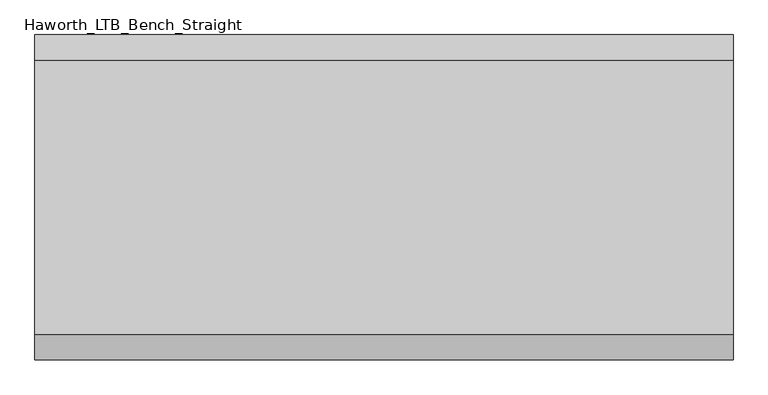
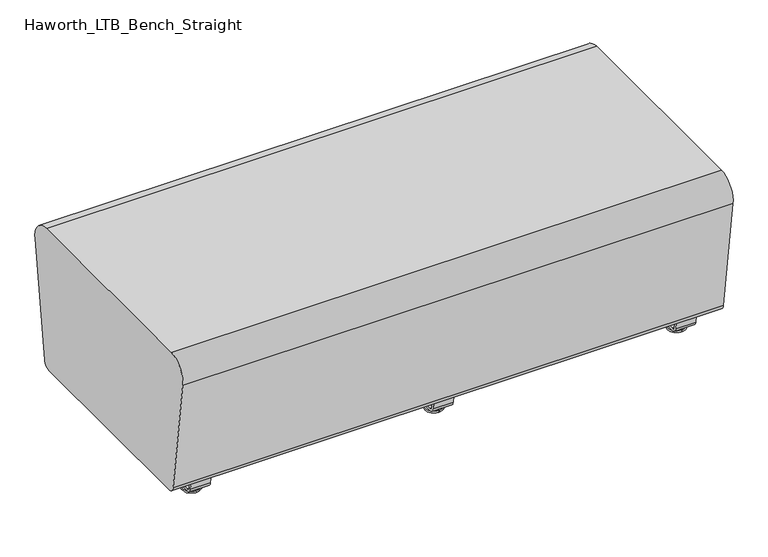
"""IFC4 building model written with IfcOpenShell, lengths in millimetres: furniture geometry, Haworth_LTB_Bench_Straight."""

from ifc_helpers import new_model, si_unit, point, frame, frame_2d, origin, place, context, project, spatial, polyline, circle_curve, ellipse_curve, trimmed, segment, composite_curve, outline, extrude, source, transform, mapped, element, save
from ifc_brep_helpers import plane_surface, cylinder_surface, revolved_surface, advanced_brep


def haworth_ltb_bench_straight_5203fc3c(model_context):
    return source(origin(), model_context, "Body", "SolidModel", [
        advanced_brep(
        [(0.0, -211.0425052, 7.8133431), (0.0, -227.0355515, 7.8133431), (0.0, -223.8015284, 7.8133431), (0.0, -214.2765284, 7.8133431), (0.0, -197.1001513, 4.0775), (0.0, -240.9779054, 4.0775), (0.0, -197.5107026, 0.0), (0.0, -240.5673542, 0.0), (0.0, -219.0390284, 0.0), (0.0, -214.2765284, 50.0000004), (0.0, -223.8015284, 50.0000004), (0.0, -219.0390284, 50.0000004)],
        [
            (0, 1, circle_curve(frame((0.0, -219.0390284, 7.8133431), z_axis=(0.0, 0.0, 1.0), x_axis=(0.0, -1.0, 0.0)), 7.9965232)),
            (1, 2),
            (2, 3, circle_curve(frame((0.0, -219.0390284, 7.8133431), z_axis=(0.0, 0.0, -1.0), x_axis=(0.0, -1.0, 0.0)), 4.7625)),
            (3, 0),
            (1, 0, circle_curve(frame((0.0, -219.0390284, 7.8133431), z_axis=(0.0, 0.0, 1.0), x_axis=(0.0, -1.0, 0.0)), 7.9965232)),
            (3, 2, circle_curve(frame((0.0, -219.0390284, 7.8133431), z_axis=(0.0, 0.0, -1.0), x_axis=(0.0, -1.0, 0.0)), 4.7625)),
            (4, 5, circle_curve(frame((0.0, -219.0390284, 4.0775), z_axis=(0.0, 0.0, 1.0), x_axis=(0.0, -1.0, 0.0)), 21.9388771)),
            (5, 1),
            (0, 4),
            (5, 4, circle_curve(frame((0.0, -219.0390284, 4.0775), z_axis=(0.0, 0.0, 1.0), x_axis=(0.0, -1.0, 0.0)), 21.9388771)),
            (6, 7, circle_curve(frame((0.0, -219.0390284, 0.0), z_axis=(0.0, 0.0, 1.0), x_axis=(0.0, -1.0, 0.0)), 21.5283258)),
            (7, 5, circle_curve(frame((0.0, -240.4405822, 2.0721829), z_axis=(-1.0, 0.0, 0.0), x_axis=(0.0, 1.0, 0.0)), 2.0760571)),
            (4, 6, circle_curve(frame((0.0, -197.6374745, 2.0721829), z_axis=(-1.0, 0.0, 0.0), x_axis=(0.0, -1.0, 0.0)), 2.0760571)),
            (7, 6, circle_curve(frame((0.0, -219.0390284, 0.0), z_axis=(0.0, 0.0, 1.0), x_axis=(0.0, -1.0, 0.0)), 21.5283258)),
            (8, 7),
            (6, 8),
            (9, 10, circle_curve(frame((0.0, -219.0390284, 50.0000004), z_axis=(0.0, 0.0, 1.0), x_axis=(0.0, -1.0, 0.0)), 4.7625)),
            (10, 11),
            (11, 9),
            (10, 9, circle_curve(frame((0.0, -219.0390284, 50.0000004), z_axis=(0.0, 0.0, 1.0), x_axis=(0.0, -1.0, 0.0)), 4.7625)),
            (2, 10),
            (9, 3),
        ],
        [
            plane_surface(frame((0.0, -219.0390284, 7.8133431), z_axis=(0.0, 0.0, 1.0), x_axis=(0.0, -1.0, 0.0))),
            revolved_surface(polyline([(0.0, -227.0355515, 7.8133431), (0.0, -240.9779054, 4.0775)]), (0.0, -219.0390284, 0.0), (0.0, 0.0, -1.0)),
            revolved_surface(trimmed(ellipse_curve(frame((0.0, -240.4405822, 2.0721829), z_axis=(1.0, 0.0, 0.0), x_axis=(0.0, 1.0, 0.0)), 2.0760571, 2.0760571), [point((0.0, -240.9779054, 4.0775))], [point((0.0, -240.5673542, 0.0))], True, "CARTESIAN"), (0.0, -219.0390284, 0.0), (0.0, 0.0, -1.0)),
            plane_surface(frame((0.0, -219.0390284, 0.0), z_axis=(0.0, 0.0, -1.0), x_axis=(0.0, -1.0, 0.0))),
            plane_surface(frame((0.0, -219.0390284, 50.0000004), z_axis=(0.0, 0.0, 1.0), x_axis=(0.0, -1.0, 0.0))),
            cylinder_surface(frame((0.0, -219.0390284, 0.0), z_axis=(0.0, 0.0, -1.0), x_axis=(0.0, -1.0, 0.0)), 4.7625),
        ],
        [
            (0, [[1, 2, 3, 4]]),
            (0, [[5, -4, 6, -2]]),
            (1, [[7, 8, -1, 9]]),
            (1, [[10, -9, -5, -8]]),
            (2, [[11, 12, -7, 13]]),
            (2, [[14, -13, -10, -12]]),
            (3, [[15, -11, 16]]),
            (3, [[-16, -14, -15]]),
            (4, [[17, 18, 19]]),
            (4, [[20, -19, -18]]),
            (5, [[-3, 21, -17, 22]]),
            (5, [[-6, -22, -20, -21]]),
        ],
    ),
        advanced_brep(
        [(0.0, 214.2765284, 7.8133431), (0.0, 223.8015284, 7.8133431), (0.0, 227.0355515, 7.8133431), (0.0, 211.0425052, 7.8133431), (0.0, 240.9779054, 4.0775), (0.0, 197.1001513, 4.0775), (0.0, 240.5673542, 0.0), (0.0, 197.5107026, 0.0), (0.0, 219.0390284, 0.0), (0.0, 219.0390284, 50.0000004), (0.0, 223.8015284, 50.0000004), (0.0, 214.2765284, 50.0000004)],
        [
            (0, 1, circle_curve(frame((0.0, 219.0390284, 7.8133431), z_axis=(0.0, 0.0, -1.0), x_axis=(0.0, 1.0, 0.0)), 4.7625)),
            (1, 2),
            (2, 3, circle_curve(frame((0.0, 219.0390284, 7.8133431), z_axis=(0.0, 0.0, 1.0), x_axis=(0.0, 1.0, 0.0)), 7.9965232)),
            (3, 0),
            (1, 0, circle_curve(frame((0.0, 219.0390284, 7.8133431), z_axis=(0.0, 0.0, -1.0), x_axis=(0.0, 1.0, 0.0)), 4.7625)),
            (3, 2, circle_curve(frame((0.0, 219.0390284, 7.8133431), z_axis=(0.0, 0.0, 1.0), x_axis=(0.0, 1.0, 0.0)), 7.9965232)),
            (2, 4),
            (4, 5, circle_curve(frame((0.0, 219.0390284, 4.0775), z_axis=(0.0, 0.0, 1.0), x_axis=(0.0, 1.0, 0.0)), 21.9388771)),
            (5, 3),
            (5, 4, circle_curve(frame((0.0, 219.0390284, 4.0775), z_axis=(0.0, 0.0, 1.0), x_axis=(0.0, 1.0, 0.0)), 21.9388771)),
            (4, 6, circle_curve(frame((0.0, 240.4405822, 2.0721829), z_axis=(-1.0, 0.0, 0.0), x_axis=(0.0, -1.0, 0.0)), 2.0760571)),
            (6, 7, circle_curve(frame((0.0, 219.0390284, 0.0), z_axis=(0.0, 0.0, 1.0), x_axis=(0.0, 1.0, 0.0)), 21.5283258)),
            (7, 5, circle_curve(frame((0.0, 197.6374745, 2.0721829), z_axis=(-1.0, 0.0, 0.0), x_axis=(0.0, 1.0, 0.0)), 2.0760571)),
            (7, 6, circle_curve(frame((0.0, 219.0390284, 0.0), z_axis=(0.0, 0.0, 1.0), x_axis=(0.0, 1.0, 0.0)), 21.5283258)),
            (6, 8),
            (8, 7),
            (9, 10),
            (10, 11, circle_curve(frame((0.0, 219.0390284, 50.0000004), z_axis=(0.0, 0.0, 1.0), x_axis=(0.0, 1.0, 0.0)), 4.7625)),
            (11, 9),
            (11, 10, circle_curve(frame((0.0, 219.0390284, 50.0000004), z_axis=(0.0, 0.0, 1.0), x_axis=(0.0, 1.0, 0.0)), 4.7625)),
            (10, 1),
            (0, 11),
        ],
        [
            plane_surface(frame((0.0, 219.0390284, 7.8133431), z_axis=(0.0, 0.0, 1.0), x_axis=(0.0, 1.0, 0.0))),
            revolved_surface(polyline([(0.0, 240.9779054, 4.0775), (0.0, 227.0355515, 7.8133431)]), (0.0, 219.0390284, 0.0), (0.0, 0.0, 1.0)),
            revolved_surface(trimmed(ellipse_curve(frame((0.0, 240.4405822, 2.0721829), z_axis=(1.0, 0.0, 0.0), x_axis=(0.0, -1.0, 0.0)), 2.0760571, 2.0760571), [point((0.0, 240.5673542, 0.0))], [point((0.0, 240.9779054, 4.0775))], True, "CARTESIAN"), (0.0, 219.0390284, 0.0), (0.0, 0.0, 1.0)),
            plane_surface(frame((0.0, 219.0390284, 0.0), z_axis=(0.0, 0.0, -1.0), x_axis=(0.0, 1.0, 0.0))),
            plane_surface(frame((0.0, 219.0390284, 50.0000004), z_axis=(0.0, 0.0, 1.0), x_axis=(0.0, 1.0, 0.0))),
            cylinder_surface(frame((0.0, 219.0390284, 0.0), z_axis=(0.0, 0.0, 1.0), x_axis=(0.0, 1.0, 0.0)), 4.7625),
        ],
        [
            (0, [[1, 2, 3, 4]]),
            (0, [[5, -4, 6, -2]]),
            (1, [[-3, 7, 8, 9]]),
            (1, [[-6, -9, 10, -7]]),
            (2, [[-8, 11, 12, 13]]),
            (2, [[-10, -13, 14, -11]]),
            (3, [[-12, 15, 16]]),
            (3, [[-14, -16, -15]]),
            (4, [[17, 18, 19]]),
            (4, [[-19, 20, -17]]),
            (5, [[-18, 21, -1, 22]]),
            (5, [[-20, -22, -5, -21]]),
        ],
    ),
        extrude(outline(composite_curve([segment(polyline([(264.8158944, 62.9950557), (259.8853496, 27.9124042)]), True, "CONTINUOUS"), segment(trimmed(circle_curve(frame_2d((245.0313276, 30.0000007)), 15.000001), [point((259.8853496, 27.9124042))], [point((245.0313276, 14.9999997))], False, "CARTESIAN"), True, "CONTINUOUS"), segment(polyline([(245.0313276, 14.9999997), (-245.0313276, 14.9999997)]), True, "CONTINUOUS"), segment(trimmed(circle_curve(frame_2d((-245.0313276, 30.0000007)), 15.000001), [point((-245.0313276, 14.9999997))], [point((-259.8853496, 27.9124042))], False, "CARTESIAN"), True, "CONTINUOUS"), segment(polyline([(-259.8853496, 27.9124042), (-264.8158944, 62.9950557), (-259.1812615, 63.7869505), (-254.2507241, 28.7043023)]), True, "CONTINUOUS"), segment(trimmed(circle_curve(frame_2d((-245.0313262, 30.0000023)), 9.310002), [point((-254.2507241, 28.7043023))], [point((-245.0313262, 20.6900003))], True, "CARTESIAN"), True, "CONTINUOUS"), segment(polyline([(-245.0313262, 20.6900003), (245.0313262, 20.6900003)]), True, "CONTINUOUS"), segment(trimmed(circle_curve(frame_2d((245.0313262, 30.0000023)), 9.310002), [point((245.0313262, 20.6900003))], [point((254.2507241, 28.7043023))], True, "CARTESIAN"), True, "CONTINUOUS"), segment(polyline([(254.2507241, 28.7043023), (259.1812615, 63.7869505), (264.8158944, 62.9950557)]), True, "CONTINUOUS")], self_intersect=False)), frame((-25.4, 0.0, 0.0), z_axis=(1.0, 0.0, 0.0), x_axis=(0.0, 1.0, 0.0)), (0.0, 0.0, 1.0), 50.8),
        advanced_brep(
        [(616.0045358, -211.0425052, 7.8133431), (616.0045358, -227.0355515, 7.8133431), (616.0045358, -223.8015284, 7.8133431), (616.0045358, -214.2765284, 7.8133431), (616.0045358, -197.1001513, 4.0775), (616.0045358, -240.9779054, 4.0775), (616.0045358, -197.5107026, 0.0), (616.0045358, -240.5673542, 0.0), (616.0045358, -219.0390284, 0.0), (616.0045358, -214.2765284, 50.0000004), (616.0045358, -223.8015284, 50.0000004), (616.0045358, -219.0390284, 50.0000004)],
        [
            (0, 1, circle_curve(frame((616.0045358, -219.0390284, 7.8133431), z_axis=(0.0, 0.0, 1.0), x_axis=(0.0, -1.0, 0.0)), 7.9965232)),
            (1, 2),
            (2, 3, circle_curve(frame((616.0045358, -219.0390284, 7.8133431), z_axis=(0.0, 0.0, -1.0), x_axis=(0.0, -1.0, 0.0)), 4.7625)),
            (3, 0),
            (1, 0, circle_curve(frame((616.0045358, -219.0390284, 7.8133431), z_axis=(0.0, 0.0, 1.0), x_axis=(0.0, -1.0, 0.0)), 7.9965232)),
            (3, 2, circle_curve(frame((616.0045358, -219.0390284, 7.8133431), z_axis=(0.0, 0.0, -1.0), x_axis=(0.0, -1.0, 0.0)), 4.7625)),
            (4, 5, circle_curve(frame((616.0045358, -219.0390284, 4.0775), z_axis=(0.0, 0.0, 1.0), x_axis=(0.0, -1.0, 0.0)), 21.9388771)),
            (5, 1),
            (0, 4),
            (5, 4, circle_curve(frame((616.0045358, -219.0390284, 4.0775), z_axis=(0.0, 0.0, 1.0), x_axis=(0.0, -1.0, 0.0)), 21.9388771)),
            (6, 7, circle_curve(frame((616.0045358, -219.0390284, 0.0), z_axis=(0.0, 0.0, 1.0), x_axis=(0.0, -1.0, 0.0)), 21.5283258)),
            (7, 5, circle_curve(frame((616.0045358, -240.4405822, 2.0721829), z_axis=(-1.0, 0.0, 0.0), x_axis=(0.0, 1.0, 0.0)), 2.0760571)),
            (4, 6, circle_curve(frame((616.0045358, -197.6374745, 2.0721829), z_axis=(-1.0, 0.0, 0.0), x_axis=(0.0, -1.0, 0.0)), 2.0760571)),
            (7, 6, circle_curve(frame((616.0045358, -219.0390284, 0.0), z_axis=(0.0, 0.0, 1.0), x_axis=(0.0, -1.0, 0.0)), 21.5283258)),
            (8, 7),
            (6, 8),
            (9, 10, circle_curve(frame((616.0045358, -219.0390284, 50.0000004), z_axis=(0.0, 0.0, 1.0), x_axis=(0.0, -1.0, 0.0)), 4.7625)),
            (10, 11),
            (11, 9),
            (10, 9, circle_curve(frame((616.0045358, -219.0390284, 50.0000004), z_axis=(0.0, 0.0, 1.0), x_axis=(0.0, -1.0, 0.0)), 4.7625)),
            (2, 10),
            (9, 3),
        ],
        [
            plane_surface(frame((616.0045358, -219.0390284, 7.8133431), z_axis=(0.0, 0.0, 1.0), x_axis=(0.0, -1.0, 0.0))),
            revolved_surface(polyline([(616.0045358, -227.0355515, 7.8133431), (616.0045358, -240.9779054, 4.0775)]), (616.0045358, -219.0390284, 0.0), (0.0, 0.0, -1.0)),
            revolved_surface(trimmed(ellipse_curve(frame((616.0045358, -240.4405822, 2.0721829), z_axis=(1.0, 0.0, 0.0), x_axis=(0.0, 1.0, 0.0)), 2.0760571, 2.0760571), [point((616.0045358, -240.9779054, 4.0775))], [point((616.0045358, -240.5673542, 0.0))], True, "CARTESIAN"), (616.0045358, -219.0390284, 0.0), (0.0, 0.0, -1.0)),
            plane_surface(frame((616.0045358, -219.0390284, 0.0), z_axis=(0.0, 0.0, -1.0), x_axis=(0.0, -1.0, 0.0))),
            plane_surface(frame((616.0045358, -219.0390284, 50.0000004), z_axis=(0.0, 0.0, 1.0), x_axis=(0.0, -1.0, 0.0))),
            cylinder_surface(frame((616.0045358, -219.0390284, 0.0), z_axis=(0.0, 0.0, -1.0), x_axis=(0.0, -1.0, 0.0)), 4.7625),
        ],
        [
            (0, [[1, 2, 3, 4]]),
            (0, [[5, -4, 6, -2]]),
            (1, [[7, 8, -1, 9]]),
            (1, [[10, -9, -5, -8]]),
            (2, [[11, 12, -7, 13]]),
            (2, [[14, -13, -10, -12]]),
            (3, [[15, -11, 16]]),
            (3, [[-16, -14, -15]]),
            (4, [[17, 18, 19]]),
            (4, [[20, -19, -18]]),
            (5, [[-3, 21, -17, 22]]),
            (5, [[-6, -22, -20, -21]]),
        ],
    ),
        advanced_brep(
        [(616.0045358, 214.2765284, 7.8133431), (616.0045358, 223.8015284, 7.8133431), (616.0045358, 227.0355515, 7.8133431), (616.0045358, 211.0425052, 7.8133431), (616.0045358, 240.9779054, 4.0775), (616.0045358, 197.1001513, 4.0775), (616.0045358, 240.5673542, 0.0), (616.0045358, 197.5107026, 0.0), (616.0045358, 219.0390284, 0.0), (616.0045358, 219.0390284, 50.0000004), (616.0045358, 223.8015284, 50.0000004), (616.0045358, 214.2765284, 50.0000004)],
        [
            (0, 1, circle_curve(frame((616.0045358, 219.0390284, 7.8133431), z_axis=(0.0, 0.0, -1.0), x_axis=(0.0, 1.0, 0.0)), 4.7625)),
            (1, 2),
            (2, 3, circle_curve(frame((616.0045358, 219.0390284, 7.8133431), z_axis=(0.0, 0.0, 1.0), x_axis=(0.0, 1.0, 0.0)), 7.9965232)),
            (3, 0),
            (1, 0, circle_curve(frame((616.0045358, 219.0390284, 7.8133431), z_axis=(0.0, 0.0, -1.0), x_axis=(0.0, 1.0, 0.0)), 4.7625)),
            (3, 2, circle_curve(frame((616.0045358, 219.0390284, 7.8133431), z_axis=(0.0, 0.0, 1.0), x_axis=(0.0, 1.0, 0.0)), 7.9965232)),
            (2, 4),
            (4, 5, circle_curve(frame((616.0045358, 219.0390284, 4.0775), z_axis=(0.0, 0.0, 1.0), x_axis=(0.0, 1.0, 0.0)), 21.9388771)),
            (5, 3),
            (5, 4, circle_curve(frame((616.0045358, 219.0390284, 4.0775), z_axis=(0.0, 0.0, 1.0), x_axis=(0.0, 1.0, 0.0)), 21.9388771)),
            (4, 6, circle_curve(frame((616.0045358, 240.4405822, 2.0721829), z_axis=(-1.0, 0.0, 0.0), x_axis=(0.0, -1.0, 0.0)), 2.0760571)),
            (6, 7, circle_curve(frame((616.0045358, 219.0390284, 0.0), z_axis=(0.0, 0.0, 1.0), x_axis=(0.0, 1.0, 0.0)), 21.5283258)),
            (7, 5, circle_curve(frame((616.0045358, 197.6374745, 2.0721829), z_axis=(-1.0, 0.0, 0.0), x_axis=(0.0, 1.0, 0.0)), 2.0760571)),
            (7, 6, circle_curve(frame((616.0045358, 219.0390284, 0.0), z_axis=(0.0, 0.0, 1.0), x_axis=(0.0, 1.0, 0.0)), 21.5283258)),
            (6, 8),
            (8, 7),
            (9, 10),
            (10, 11, circle_curve(frame((616.0045358, 219.0390284, 50.0000004), z_axis=(0.0, 0.0, 1.0), x_axis=(0.0, 1.0, 0.0)), 4.7625)),
            (11, 9),
            (11, 10, circle_curve(frame((616.0045358, 219.0390284, 50.0000004), z_axis=(0.0, 0.0, 1.0), x_axis=(0.0, 1.0, 0.0)), 4.7625)),
            (10, 1),
            (0, 11),
        ],
        [
            plane_surface(frame((616.0045358, 219.0390284, 7.8133431), z_axis=(0.0, 0.0, 1.0), x_axis=(0.0, 1.0, 0.0))),
            revolved_surface(polyline([(616.0045358, 240.9779054, 4.0775), (616.0045358, 227.0355515, 7.8133431)]), (616.0045358, 219.0390284, 0.0), (0.0, 0.0, 1.0)),
            revolved_surface(trimmed(ellipse_curve(frame((616.0045358, 240.4405822, 2.0721829), z_axis=(1.0, 0.0, 0.0), x_axis=(0.0, -1.0, 0.0)), 2.0760571, 2.0760571), [point((616.0045358, 240.5673542, 0.0))], [point((616.0045358, 240.9779054, 4.0775))], True, "CARTESIAN"), (616.0045358, 219.0390284, 0.0), (0.0, 0.0, 1.0)),
            plane_surface(frame((616.0045358, 219.0390284, 0.0), z_axis=(0.0, 0.0, -1.0), x_axis=(0.0, 1.0, 0.0))),
            plane_surface(frame((616.0045358, 219.0390284, 50.0000004), z_axis=(0.0, 0.0, 1.0), x_axis=(0.0, 1.0, 0.0))),
            cylinder_surface(frame((616.0045358, 219.0390284, 0.0), z_axis=(0.0, 0.0, 1.0), x_axis=(0.0, 1.0, 0.0)), 4.7625),
        ],
        [
            (0, [[1, 2, 3, 4]]),
            (0, [[5, -4, 6, -2]]),
            (1, [[-3, 7, 8, 9]]),
            (1, [[-6, -9, 10, -7]]),
            (2, [[-8, 11, 12, 13]]),
            (2, [[-10, -13, 14, -11]]),
            (3, [[-12, 15, 16]]),
            (3, [[-14, -16, -15]]),
            (4, [[17, 18, 19]]),
            (4, [[-19, 20, -17]]),
            (5, [[-18, 21, -1, 22]]),
            (5, [[-20, -22, -5, -21]]),
        ],
    ),
        extrude(outline(composite_curve([segment(polyline([(264.8158944, 62.9950557), (259.8853496, 27.9124042)]), True, "CONTINUOUS"), segment(trimmed(circle_curve(frame_2d((245.0313276, 30.0000007)), 15.000001), [point((259.8853496, 27.9124042))], [point((245.0313276, 14.9999997))], False, "CARTESIAN"), True, "CONTINUOUS"), segment(polyline([(245.0313276, 14.9999997), (-245.0313276, 14.9999997)]), True, "CONTINUOUS"), segment(trimmed(circle_curve(frame_2d((-245.0313276, 30.0000007)), 15.000001), [point((-245.0313276, 14.9999997))], [point((-259.8853496, 27.9124042))], False, "CARTESIAN"), True, "CONTINUOUS"), segment(polyline([(-259.8853496, 27.9124042), (-264.8158944, 62.9950557), (-259.1812615, 63.7869505), (-254.2507241, 28.7043023)]), True, "CONTINUOUS"), segment(trimmed(circle_curve(frame_2d((-245.0313262, 30.0000023)), 9.310002), [point((-254.2507241, 28.7043023))], [point((-245.0313262, 20.6900003))], True, "CARTESIAN"), True, "CONTINUOUS"), segment(polyline([(-245.0313262, 20.6900003), (245.0313262, 20.6900003)]), True, "CONTINUOUS"), segment(trimmed(circle_curve(frame_2d((245.0313262, 30.0000023)), 9.310002), [point((245.0313262, 20.6900003))], [point((254.2507241, 28.7043023))], True, "CARTESIAN"), True, "CONTINUOUS"), segment(polyline([(254.2507241, 28.7043023), (259.1812615, 63.7869505), (264.8158944, 62.9950557)]), True, "CONTINUOUS")], self_intersect=False)), frame((590.6045358, 0.0, 0.0), z_axis=(1.0, 0.0, 0.0), x_axis=(0.0, 1.0, 0.0)), (0.0, 0.0, 1.0), 50.8),
        advanced_brep(
        [(-616.0045358, -214.2765284, 7.8133431), (-616.0045358, -223.8015284, 7.8133431), (-616.0045358, -227.0355515, 7.8133431), (-616.0045358, -211.0425052, 7.8133431), (-616.0045358, -240.9779054, 4.0775), (-616.0045358, -197.1001513, 4.0775), (-616.0045358, -240.5673542, 0.0), (-616.0045358, -197.5107026, 0.0), (-616.0045358, -219.0390284, 0.0), (-616.0045358, -219.0390284, 50.0000004), (-616.0045358, -223.8015284, 50.0000004), (-616.0045358, -214.2765284, 50.0000004)],
        [
            (0, 1, circle_curve(frame((-616.0045358, -219.0390284, 7.8133431), z_axis=(0.0, 0.0, -1.0), x_axis=(0.0, -1.0, 0.0)), 4.7625)),
            (1, 2),
            (2, 3, circle_curve(frame((-616.0045358, -219.0390284, 7.8133431), z_axis=(0.0, 0.0, 1.0), x_axis=(0.0, -1.0, 0.0)), 7.9965232)),
            (3, 0),
            (1, 0, circle_curve(frame((-616.0045358, -219.0390284, 7.8133431), z_axis=(0.0, 0.0, -1.0), x_axis=(0.0, -1.0, 0.0)), 4.7625)),
            (3, 2, circle_curve(frame((-616.0045358, -219.0390284, 7.8133431), z_axis=(0.0, 0.0, 1.0), x_axis=(0.0, -1.0, 0.0)), 7.9965232)),
            (2, 4),
            (4, 5, circle_curve(frame((-616.0045358, -219.0390284, 4.0775), z_axis=(0.0, 0.0, 1.0), x_axis=(0.0, -1.0, 0.0)), 21.9388771)),
            (5, 3),
            (5, 4, circle_curve(frame((-616.0045358, -219.0390284, 4.0775), z_axis=(0.0, 0.0, 1.0), x_axis=(0.0, -1.0, 0.0)), 21.9388771)),
            (4, 6, circle_curve(frame((-616.0045358, -240.4405822, 2.0721829), z_axis=(1.0, 0.0, 0.0), x_axis=(0.0, 1.0, 0.0)), 2.0760571)),
            (6, 7, circle_curve(frame((-616.0045358, -219.0390284, 0.0), z_axis=(0.0, 0.0, 1.0), x_axis=(0.0, -1.0, 0.0)), 21.5283258)),
            (7, 5, circle_curve(frame((-616.0045358, -197.6374745, 2.0721829), z_axis=(1.0, 0.0, 0.0), x_axis=(0.0, -1.0, 0.0)), 2.0760571)),
            (7, 6, circle_curve(frame((-616.0045358, -219.0390284, 0.0), z_axis=(0.0, 0.0, 1.0), x_axis=(0.0, -1.0, 0.0)), 21.5283258)),
            (6, 8),
            (8, 7),
            (9, 10),
            (10, 11, circle_curve(frame((-616.0045358, -219.0390284, 50.0000004), z_axis=(0.0, 0.0, 1.0), x_axis=(0.0, -1.0, 0.0)), 4.7625)),
            (11, 9),
            (11, 10, circle_curve(frame((-616.0045358, -219.0390284, 50.0000004), z_axis=(0.0, 0.0, 1.0), x_axis=(0.0, -1.0, 0.0)), 4.7625)),
            (10, 1),
            (0, 11),
        ],
        [
            plane_surface(frame((-616.0045358, -219.0390284, 7.8133431), z_axis=(0.0, 0.0, 1.0), x_axis=(0.0, -1.0, 0.0))),
            revolved_surface(polyline([(-616.0045358, -240.9779054, 4.0775), (-616.0045358, -227.0355515, 7.8133431)]), (-616.0045358, -219.0390284, 0.0), (0.0, 0.0, 1.0)),
            revolved_surface(trimmed(ellipse_curve(frame((-616.0045358, -240.4405822, 2.0721829), z_axis=(-1.0, 0.0, 0.0), x_axis=(0.0, 1.0, 0.0)), 2.0760571, 2.0760571), [point((-616.0045358, -240.5673542, 0.0))], [point((-616.0045358, -240.9779054, 4.0775))], True, "CARTESIAN"), (-616.0045358, -219.0390284, 0.0), (0.0, 0.0, 1.0)),
            plane_surface(frame((-616.0045358, -219.0390284, 0.0), z_axis=(0.0, 0.0, -1.0), x_axis=(0.0, -1.0, 0.0))),
            plane_surface(frame((-616.0045358, -219.0390284, 50.0000004), z_axis=(0.0, 0.0, 1.0), x_axis=(0.0, -1.0, 0.0))),
            cylinder_surface(frame((-616.0045358, -219.0390284, 0.0), z_axis=(0.0, 0.0, 1.0), x_axis=(0.0, -1.0, 0.0)), 4.7625),
        ],
        [
            (0, [[1, 2, 3, 4]]),
            (0, [[5, -4, 6, -2]]),
            (1, [[-3, 7, 8, 9]]),
            (1, [[-6, -9, 10, -7]]),
            (2, [[-8, 11, 12, 13]]),
            (2, [[-10, -13, 14, -11]]),
            (3, [[-12, 15, 16]]),
            (3, [[-14, -16, -15]]),
            (4, [[17, 18, 19]]),
            (4, [[-19, 20, -17]]),
            (5, [[-18, 21, -1, 22]]),
            (5, [[-20, -22, -5, -21]]),
        ],
    ),
        advanced_brep(
        [(-616.0045358, 211.0425052, 7.8133431), (-616.0045358, 227.0355515, 7.8133431), (-616.0045358, 223.8015284, 7.8133431), (-616.0045358, 214.2765284, 7.8133431), (-616.0045358, 197.1001513, 4.0775), (-616.0045358, 240.9779054, 4.0775), (-616.0045358, 197.5107026, 0.0), (-616.0045358, 240.5673542, 0.0), (-616.0045358, 219.0390284, 0.0), (-616.0045358, 214.2765284, 50.0000004), (-616.0045358, 223.8015284, 50.0000004), (-616.0045358, 219.0390284, 50.0000004)],
        [
            (0, 1, circle_curve(frame((-616.0045358, 219.0390284, 7.8133431), z_axis=(0.0, 0.0, 1.0), x_axis=(0.0, 1.0, 0.0)), 7.9965232)),
            (1, 2),
            (2, 3, circle_curve(frame((-616.0045358, 219.0390284, 7.8133431), z_axis=(0.0, 0.0, -1.0), x_axis=(0.0, 1.0, 0.0)), 4.7625)),
            (3, 0),
            (1, 0, circle_curve(frame((-616.0045358, 219.0390284, 7.8133431), z_axis=(0.0, 0.0, 1.0), x_axis=(0.0, 1.0, 0.0)), 7.9965232)),
            (3, 2, circle_curve(frame((-616.0045358, 219.0390284, 7.8133431), z_axis=(0.0, 0.0, -1.0), x_axis=(0.0, 1.0, 0.0)), 4.7625)),
            (4, 5, circle_curve(frame((-616.0045358, 219.0390284, 4.0775), z_axis=(0.0, 0.0, 1.0), x_axis=(0.0, 1.0, 0.0)), 21.9388771)),
            (5, 1),
            (0, 4),
            (5, 4, circle_curve(frame((-616.0045358, 219.0390284, 4.0775), z_axis=(0.0, 0.0, 1.0), x_axis=(0.0, 1.0, 0.0)), 21.9388771)),
            (6, 7, circle_curve(frame((-616.0045358, 219.0390284, 0.0), z_axis=(0.0, 0.0, 1.0), x_axis=(0.0, 1.0, 0.0)), 21.5283258)),
            (7, 5, circle_curve(frame((-616.0045358, 240.4405822, 2.0721829), z_axis=(1.0, 0.0, 0.0), x_axis=(0.0, -1.0, 0.0)), 2.0760571)),
            (4, 6, circle_curve(frame((-616.0045358, 197.6374745, 2.0721829), z_axis=(1.0, 0.0, 0.0), x_axis=(0.0, 1.0, 0.0)), 2.0760571)),
            (7, 6, circle_curve(frame((-616.0045358, 219.0390284, 0.0), z_axis=(0.0, 0.0, 1.0), x_axis=(0.0, 1.0, 0.0)), 21.5283258)),
            (8, 7),
            (6, 8),
            (9, 10, circle_curve(frame((-616.0045358, 219.0390284, 50.0000004), z_axis=(0.0, 0.0, 1.0), x_axis=(0.0, 1.0, 0.0)), 4.7625)),
            (10, 11),
            (11, 9),
            (10, 9, circle_curve(frame((-616.0045358, 219.0390284, 50.0000004), z_axis=(0.0, 0.0, 1.0), x_axis=(0.0, 1.0, 0.0)), 4.7625)),
            (2, 10),
            (9, 3),
        ],
        [
            plane_surface(frame((-616.0045358, 219.0390284, 7.8133431), z_axis=(0.0, 0.0, 1.0), x_axis=(0.0, 1.0, 0.0))),
            revolved_surface(polyline([(-616.0045358, 227.0355515, 7.8133431), (-616.0045358, 240.9779054, 4.0775)]), (-616.0045358, 219.0390284, 0.0), (0.0, 0.0, -1.0)),
            revolved_surface(trimmed(ellipse_curve(frame((-616.0045358, 240.4405822, 2.0721829), z_axis=(-1.0, 0.0, 0.0), x_axis=(0.0, -1.0, 0.0)), 2.0760571, 2.0760571), [point((-616.0045358, 240.9779054, 4.0775))], [point((-616.0045358, 240.5673542, 0.0))], True, "CARTESIAN"), (-616.0045358, 219.0390284, 0.0), (0.0, 0.0, -1.0)),
            plane_surface(frame((-616.0045358, 219.0390284, 0.0), z_axis=(0.0, 0.0, -1.0), x_axis=(0.0, 1.0, 0.0))),
            plane_surface(frame((-616.0045358, 219.0390284, 50.0000004), z_axis=(0.0, 0.0, 1.0), x_axis=(0.0, 1.0, 0.0))),
            cylinder_surface(frame((-616.0045358, 219.0390284, 0.0), z_axis=(0.0, 0.0, -1.0), x_axis=(0.0, 1.0, 0.0)), 4.7625),
        ],
        [
            (0, [[1, 2, 3, 4]]),
            (0, [[5, -4, 6, -2]]),
            (1, [[7, 8, -1, 9]]),
            (1, [[10, -9, -5, -8]]),
            (2, [[11, 12, -7, 13]]),
            (2, [[14, -13, -10, -12]]),
            (3, [[15, -11, 16]]),
            (3, [[-16, -14, -15]]),
            (4, [[17, 18, 19]]),
            (4, [[20, -19, -18]]),
            (5, [[-3, 21, -17, 22]]),
            (5, [[-6, -22, -20, -21]]),
        ],
    ),
        extrude(outline(composite_curve([segment(polyline([(264.8158944, 62.9950557), (259.8853496, 27.9124042)]), True, "CONTINUOUS"), segment(trimmed(circle_curve(frame_2d((245.0313276, 30.0000007)), 15.000001), [point((259.8853496, 27.9124042))], [point((245.0313276, 14.9999997))], False, "CARTESIAN"), True, "CONTINUOUS"), segment(polyline([(245.0313276, 14.9999997), (-245.0313276, 14.9999997)]), True, "CONTINUOUS"), segment(trimmed(circle_curve(frame_2d((-245.0313276, 30.0000007)), 15.000001), [point((-245.0313276, 14.9999997))], [point((-259.8853496, 27.9124042))], False, "CARTESIAN"), True, "CONTINUOUS"), segment(polyline([(-259.8853496, 27.9124042), (-264.8158944, 62.9950557), (-259.1812615, 63.7869505), (-254.2507241, 28.7043023)]), True, "CONTINUOUS"), segment(trimmed(circle_curve(frame_2d((-245.0313262, 30.0000023)), 9.310002), [point((-254.2507241, 28.7043023))], [point((-245.0313262, 20.6900003))], True, "CARTESIAN"), True, "CONTINUOUS"), segment(polyline([(-245.0313262, 20.6900003), (245.0313262, 20.6900003)]), True, "CONTINUOUS"), segment(trimmed(circle_curve(frame_2d((245.0313262, 30.0000023)), 9.310002), [point((245.0313262, 20.6900003))], [point((254.2507241, 28.7043023))], True, "CARTESIAN"), True, "CONTINUOUS"), segment(polyline([(254.2507241, 28.7043023), (259.1812615, 63.7869505), (264.8158944, 62.9950557)]), True, "CONTINUOUS")], self_intersect=False)), frame((-641.4045358, 0.0, 0.0), z_axis=(1.0, 0.0, 0.0), x_axis=(0.0, 1.0, 0.0)), (0.0, 0.0, 1.0), 50.8),
        extrude(outline(composite_curve([segment(trimmed(circle_curve(frame_2d((264.0390314, 68.9999996)), 18.9999992), [point((282.8541239, 66.3557108))], [point((264.0390314, 50.0000004))], False, "CARTESIAN"), True, "CONTINUOUS"), segment(polyline([(264.0390314, 50.0000004), (-264.0390314, 50.0000004)]), True, "CONTINUOUS"), segment(trimmed(circle_curve(frame_2d((-264.0390314, 68.9999996)), 18.9999992), [point((-264.0390314, 50.0000004))], [point((-282.8541239, 66.3557108))], False, "CARTESIAN"), True, "CONTINUOUS"), segment(polyline([(-282.8541239, 66.3557108), (-325.0457699, 366.5648734)]), True, "CONTINUOUS"), segment(trimmed(circle_curve(frame_2d((-274.2488862, 373.7039098)), 51.2960937), [point((-325.0457699, 366.5648734))], [point((-274.2488862, 425.0000035))], False, "CARTESIAN"), True, "CONTINUOUS"), segment(polyline([(-274.2488862, 425.0000035), (274.2488862, 425.0000035)]), True, "CONTINUOUS"), segment(trimmed(circle_curve(frame_2d((274.2488862, 373.7039098)), 51.2960937), [point((274.2488862, 425.0000035))], [point((325.0457699, 366.5648734))], False, "CARTESIAN"), True, "CONTINUOUS"), segment(polyline([(325.0457699, 366.5648734), (282.8541239, 66.3557108)]), True, "CONTINUOUS")], self_intersect=False)), frame((-698.5, 0.0, 0.0), z_axis=(1.0, 0.0, 0.0), x_axis=(0.0, 1.0, 0.0)), (0.0, 0.0, 1.0), 1397.0),
    ])


if __name__ == "__main__":
    model = new_model("IFC4")
    model_context = context("Model", 3, world=origin())
    ifc_project = project(units=[si_unit("LENGTHUNIT", "METRE", prefix="MILLI")], contexts=[model_context])
    site = spatial("IfcSite", under=ifc_project)
    building = spatial("IfcBuilding", under=site)
    placement = place(None, origin())
    haworth_ltb_bench_straight_shape = haworth_ltb_bench_straight_5203fc3c(model_context)
    element("IfcFurniture", 1, ObjectType="Haworth_LTB_Bench_Straight", at=placement, inside=building, context=model_context, shape_type="MappedRepresentation", body=[
        mapped(haworth_ltb_bench_straight_shape, transform((0.0, 0.0, 0.0), x_axis=(1.0, 0.0, 0.0), y_axis=(0.0, 1.0, 0.0), z_axis=(0.0, 0.0, 1.0))),
    ])
    save(model, "model.ifc")
